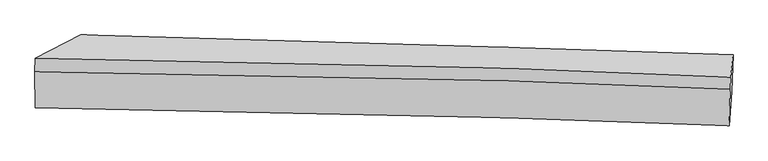
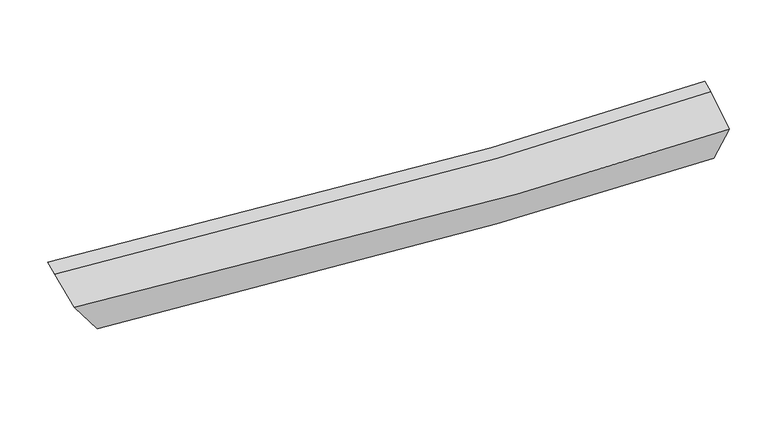
"""IFC4 building model written with IfcOpenShell, lengths in millimetres: proxy geometry."""

from ifc_helpers import new_model, si_unit, frame, origin, place, context, project, spatial, source, transform, mapped, element, save
from ifc_brep_helpers import plane_surface, spline_curve, spline_surface, advanced_brep


def generic_models_7053bd3c(model_context):
    return source(origin(), model_context, "Body", "AdvancedBrep", [
        advanced_brep(
        [(-3374.4530992, -1954.261583, 2748.9889212), (-3390.0943563, -1572.9316048, 2942.3106448), (3748.7355101, -1791.2450899, 2733.1157892), (3734.3848798, -2196.1318543, 2527.4261148), (-3887.8931017, -2367.5569817, 3446.9618986), (3704.7039469, -2567.5605176, 3120.0134841), (-3889.4128609, -1975.5968608, 3620.7648704), (3718.4531555, -2169.6878763, 3338.829448), (-3883.6933637, -1826.4030635, 3676.1445766), (3723.6610816, -2033.8384749, 3389.2558067)],
        [
            (0, 1),
            (1, 2, spline_curve(3, [(-3390.0943563, -1572.9316048, 2942.3106448), (-1920.8550375, -1613.453890233, 2848.400141188), (-373.401841854, -1659.30745186, 2786.104865519), (2064.879089836, -1736.077790428, 2740.088939636), (2897.035849097, -1762.995390822, 2732.652596739), (3748.7355101, -1791.2450899, 2733.1157892)], [4, 2, 4], [0.0, 15.601567812393512, 23.40024345282628])),
            (2, 3),
            (3, 0, spline_curve(3, [(3734.3848798, -2196.1318543, 2527.4261148), (2879.067896686, -2165.644139379, 2516.924358653), (2045.609782456, -2136.362234719, 2518.125629869), (-389.626763521, -2052.118771782, 2556.845503365), (-1925.781309045, -2000.777252832, 2629.498500445), (-3374.4530992, -1954.261583, 2748.9889212)], [4, 2, 4], [0.0, 7.798675640432769, 23.40024345282628])),
            (4, 0),
            (3, 5),
            (5, 4, spline_curve(3, [(3704.7039469, -2567.5605176, 3120.0134841), (2898.244920836, -2535.517522648, 3103.461378107), (2079.45116651, -2506.748732248, 3104.530483748), (-414.383651055, -2430.251190777, 3160.611539949), (-2126.45557946, -2392.352136178, 3268.52523931), (-3887.8931017, -2367.5569817, 3446.9618986)], [4, 2, 4], [0.0, 8.05011824374829, 24.15470721094062])),
            (6, 4),
            (5, 7),
            (7, 6, spline_curve(3, [(3718.4531555, -2169.6878763, 3338.829448), (2914.558079809, -2132.159841333, 3310.707436832), (2096.908465887, -2099.95293147, 3302.396030249), (-397.753507956, -2019.281040749, 3336.899840505), (-2116.059232921, -1986.790945866, 3439.18972183), (-3889.4128609, -1975.5968608, 3620.7648704)], [4, 2, 4], [0.0, 8.324999818029742, 24.979500554766002])),
            (8, 6),
            (7, 9),
            (9, 8, spline_curve(3, [(3723.6610816, -2033.8384749, 3389.2558067), (2919.737597882, -1997.051461146, 3360.858733453), (2102.087984008, -1964.844551292, 3352.54732666), (-392.488750539, -1881.949196255, 3387.876472502), (-2110.623951821, -1845.010968718, 3491.817468766), (-3883.6933637, -1826.4030635, 3676.1445766)], [4, 2, 4], [0.0, 8.333123328034702, 25.003875476941502])),
            (1, 8),
            (9, 2),
        ],
        [
            spline_surface(3, 3, [[(-3374.4530992, -1954.261583, 2748.9889212), (-1925.781309127, -2000.77725267, 2629.498500603), (-389.626763681, -2052.118771822, 2556.845503105), (2045.609782536, -2136.362234699, 2518.125629999), (2879.067896797, -2165.644139347, 2516.92435868), (3734.3848798, -2196.1318543, 2527.4261148)], [(-3379.666851591, -1827.151590253, 2813.429495733), (-1924.139218682, -1871.669465242, 2702.465714178), (-384.218456324, -1921.181665122, 2633.265290613), (2052.032884949, -2002.934086641, 2592.11339986), (2885.057214245, -2031.427889881, 2588.833771366), (3739.168423252, -2061.169599514, 2595.989339607)], [(-3384.880603909, -1700.041597547, 2877.870070267), (-1922.497128165, -1742.561677853, 2775.432927754), (-378.810149008, -1790.244558403, 2709.685078121), (2058.455987321, -1869.505938564, 2666.101169721), (2891.046531636, -1897.211640371, 2660.743184029), (3743.951966648, -1926.207344686, 2664.552564393)], [(-3390.0943563, -1572.9316048, 2942.3106448), (-1920.85503772, -1613.453890424, 2848.400141328), (-373.40184165, -1659.307451704, 2786.104865629), (2064.879089734, -1736.077790506, 2740.088939581), (2897.035849084, -1762.995390904, 2732.652596715), (3748.7355101, -1791.2450899, 2733.1157892)]], [4, 4], [4, 2, 4], [0.0, 1.489588145940914], [0.0, 15.601567812393512, 23.40024345282628]),
            spline_surface(3, 3, [[(-3887.8931017, -2367.5569817, 3446.9618986), (-2126.455579401, -2392.352135929, 3268.525239207), (-414.383651006, -2430.251190853, 3160.611539934), (2079.451166485, -2506.748732209, 3104.530483756), (2898.244920957, -2535.517522562, 3103.461378198), (3704.7039469, -2567.5605176, 3120.0134841)], [(-3716.746434187, -2229.79184881, 3214.304239454), (-2059.564155963, -2261.827174853, 3055.516326326), (-406.131355244, -2304.207051173, 2959.356194325), (2068.170705156, -2383.286566369, 2909.06219917), (2891.852579563, -2412.226394806, 2907.949038356), (3714.597591193, -2443.750963149, 2922.484360998)], [(-3545.599766713, -2092.02671589, 2981.646580346), (-1992.672732564, -2131.302213746, 2842.507413484), (-397.879059443, -2178.162911502, 2758.100848715), (2056.890243865, -2259.824400539, 2713.593914584), (2885.460238191, -2288.935267103, 2712.436698522), (3724.491235507, -2319.941408751, 2724.955237902)], [(-3374.4530992, -1954.261583, 2748.9889212), (-1925.781309127, -2000.77725267, 2629.498500603), (-389.626763681, -2052.118771822, 2556.845503105), (2045.609782536, -2136.362234699, 2518.125629999), (2879.067896797, -2165.644139347, 2516.92435868), (3734.3848798, -2196.1318543, 2527.4261148)]], [4, 4], [4, 2, 4], [0.0, 2.3458510846419234], [0.0, 16.10458896719233, 24.15470721094062]),
            spline_surface(3, 3, [[(-3889.4128609, -1975.5968608, 3620.7648704), (-2116.059232718, -1986.790945692, 3439.189721603), (-397.753507806, -2019.281041, 3336.899840767), (2096.908465812, -2099.952931344, 3302.396030118), (2914.558079713, -2132.159841207, 3310.707436803), (3718.4531555, -2169.6878763, 3338.829448)], [(-3888.906274495, -2106.250234431, 3562.830546478), (-2119.524681607, -2121.978009103, 3382.301560815), (-403.296888859, -2156.271090958, 3278.137073818), (2091.08936605, -2235.551531639, 3236.440847993), (2909.120360139, -2266.612401671, 3241.625417269), (3713.870085978, -2302.312090079, 3265.890793367)], [(-3888.399688105, -2236.903608069, 3504.896222522), (-2122.990130511, -2257.165072519, 3325.413399994), (-408.840269953, -2293.261140896, 3219.374306882), (2085.270266247, -2371.150131914, 3170.485665881), (2903.682640531, -2401.064962098, 3172.543397733), (3709.287016422, -2434.936303821, 3192.952138733)], [(-3887.8931017, -2367.5569817, 3446.9618986), (-2126.455579401, -2392.352135929, 3268.525239207), (-414.383651006, -2430.251190853, 3160.611539934), (2079.451166485, -2506.748732209, 3104.530483756), (2898.244920957, -2535.517522562, 3103.461378198), (3704.7039469, -2567.5605176, 3120.0134841)]], [4, 4], [4, 2, 4], [0.0, 1.468207771005934], [0.0, 16.65450073673626, 24.979500554766002]),
            spline_surface(3, 3, [[(-3883.6933637, -1826.4030635, 3676.1445766), (-2110.623951929, -1845.010968852, 3491.817468896), (-392.488750715, -1881.949196115, 3387.876472241), (2102.087984096, -1964.844551362, 3352.54732679), (2919.737597997, -1997.051461225, 3360.858733476), (3723.6610816, -2033.8384749, 3389.2558067)], [(-3885.599862775, -1876.134329261, 3657.684674516), (-2112.4357122, -1892.270961126, 3474.274886448), (-394.243669753, -1927.726477731, 3370.88426174), (2100.361477994, -2009.88067801, 3335.83022789), (2918.011091895, -2042.087587873, 3344.141634575), (3721.925106226, -2079.121608688, 3372.447020457)], [(-3887.506361825, -1925.865595039, 3639.224772484), (-2114.247472447, -1939.530953418, 3456.732304051), (-395.998588769, -1973.503759384, 3353.892051268), (2098.634971914, -2054.916804695, 3319.113129019), (2916.284585815, -2087.123714558, 3327.424535704), (3720.189130874, -2124.404742512, 3355.638234243)], [(-3889.4128609, -1975.5968608, 3620.7648704), (-2116.059232718, -1986.790945692, 3439.189721603), (-397.753507806, -2019.281041, 3336.899840767), (2096.908465812, -2099.952931344, 3302.396030118), (2914.558079713, -2132.159841207, 3310.707436803), (3718.4531555, -2169.6878763, 3338.829448)]], [4, 4], [4, 2, 4], [0.0, 0.481564592575617], [0.0, 16.6707521489068, 25.003875476941502]),
            spline_surface(3, 3, [[(-3390.0943563, -1572.9316048, 2942.3106448), (-1920.85503772, -1613.453890424, 2848.400141328), (-373.40184165, -1659.307451704, 2786.104865629), (2064.879089734, -1736.077790506, 2740.088939581), (2897.035849084, -1762.995390904, 2732.652596715), (3748.7355101, -1791.2450899, 2733.1157892)], [(-3554.627358752, -1657.422091044, 3186.921955419), (-1984.111342442, -1690.639583245, 3062.87258387), (-379.764144679, -1733.52136651, 2986.69540118), (2077.282054514, -1812.33337746, 2944.241735331), (2904.603098706, -1841.014081015, 2942.054642306), (3740.37736725, -1872.10955157, 2951.829128371)], [(-3719.160361248, -1741.912577256, 3431.533265981), (-2047.367647207, -1767.825276032, 3277.345026355), (-386.126447686, -1807.735281309, 3187.28593669), (2089.685019316, -1888.588964407, 3148.39453104), (2912.170348376, -1919.032771114, 3151.456687884), (3732.01922445, -1952.97401323, 3170.542467529)], [(-3883.6933637, -1826.4030635, 3676.1445766), (-2110.623951929, -1845.010968852, 3491.817468896), (-392.488750715, -1881.949196115, 3387.876472241), (2102.087984096, -1964.844551362, 3352.54732679), (2919.737597997, -1997.051461225, 3360.858733476), (3723.6610816, -2033.8384749, 3389.2558067)]], [4, 4], [4, 2, 4], [0.0, 2.145697507500547], [0.0, 16.15035812287155, 24.223354759597445]),
            plane_surface(frame((3725.9877148, -2151.6927626, 3021.7281286), z_axis=(0.998712607366237, -0.04612355532597893, 0.02111268651365627), x_axis=(-0.03026580310208688, -0.8758275041985967, -0.48167433401816506))),
            plane_surface(frame((-3685.1093564, -1939.3500188, 3287.0341823), z_axis=(-0.8431225116091043, 0.21523353460345823, -0.49276663442247964), x_axis=(0.036560315550939776, -0.8913314435231281, -0.4518756478432893))),
        ],
        [
            (0, [[1, 2, 3, 4]]),
            (1, [[5, -4, 6, 7]]),
            (2, [[8, -7, 9, 10]]),
            (3, [[11, -10, 12, 13]]),
            (4, [[14, -13, 15, -2]]),
            (5, [[-9, -6, -3, -15, -12]]),
            (6, [[-1, -5, -8, -11, -14]]),
        ],
    ),
    ])


if __name__ == "__main__":
    model = new_model("IFC4")
    model_context = context("Model", 3, world=origin())
    ifc_project = project(units=[si_unit("LENGTHUNIT", "METRE", prefix="MILLI")], contexts=[model_context])
    site = spatial("IfcSite", under=ifc_project)
    building = spatial("IfcBuilding", under=site)
    placement = place(None, origin())
    generic_models_shape = generic_models_7053bd3c(model_context)
    element("IfcBuildingElementProxy", 1, Name="Generic Models", at=placement, inside=building, context=model_context, shape_type="MappedRepresentation", body=[
        mapped(generic_models_shape, transform((0.0, 0.0, 0.0), x_axis=(1.0, 0.0, 0.0), y_axis=(0.0, 1.0, 0.0), z_axis=(0.0, 0.0, 1.0))),
    ])
    save(model, "model.ifc")
